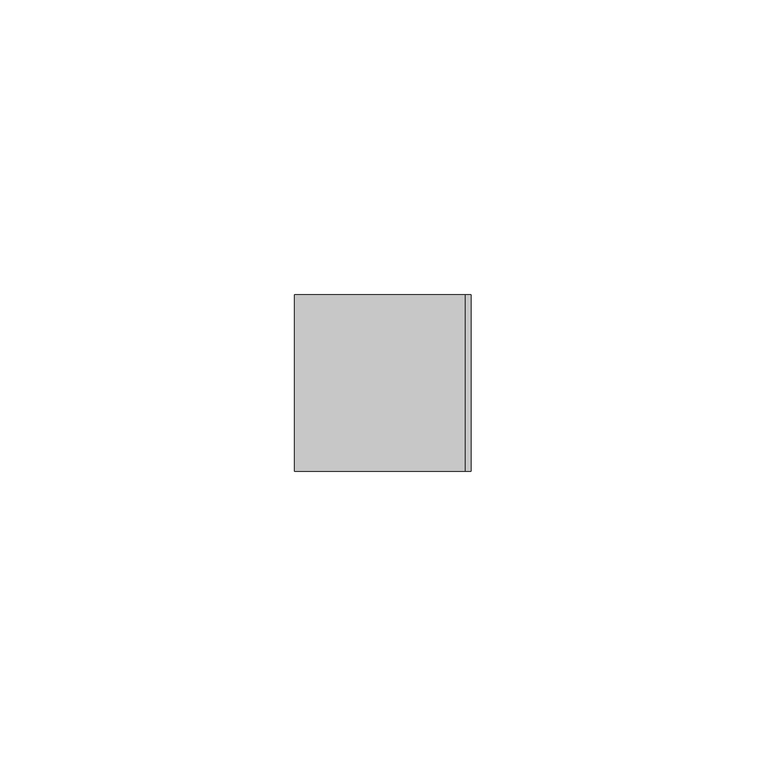
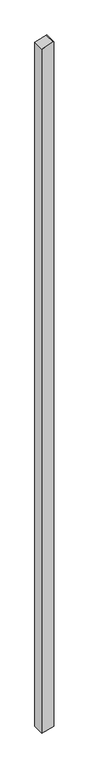
"""IFC4 building model written with IfcOpenShell, lengths in millimetres: member geometry."""

from ifc_helpers import new_model, si_unit, frame, origin, place, context, project, spatial, polyline, outline, extrude, source, transform, mapped, element, save


def member_ad37e865(model_context):
    return source(origin(), model_context, "Body", "SweptSolid", [
        extrude(outline(polyline([(-47.7068097, 15.0), (-47.9795878, 14.0697958), (-56.5041731, -15.0), (-1872.787549, -15.0), (-1870.50207, -6.4704761), (-1864.7490732, 15.0), (-47.7068097, 15.0)])), frame((0.0, -15.0, 0.0), z_axis=(0.0, 1.0, 0.0), x_axis=(0.0, 0.0, 1.0)), (0.0, 0.0, 1.0), 30.0),
    ])


if __name__ == "__main__":
    model = new_model("IFC4")
    model_context = context("Model", 3, world=origin())
    ifc_project = project(units=[si_unit("LENGTHUNIT", "METRE", prefix="MILLI")], contexts=[model_context])
    site = spatial("IfcSite", under=ifc_project)
    building = spatial("IfcBuilding", under=site)
    placement = place(None, origin())
    member_shape = member_ad37e865(model_context)
    element("IfcMember", 1, at=placement, inside=building, context=model_context, shape_type="MappedRepresentation", body=[
        mapped(member_shape, transform((0.0, 0.0, 0.0), x_axis=(1.0, 0.0, 0.0), y_axis=(0.0, 1.0, 0.0), z_axis=(0.0, 0.0, 1.0))),
    ])
    save(model, "model.ifc")
